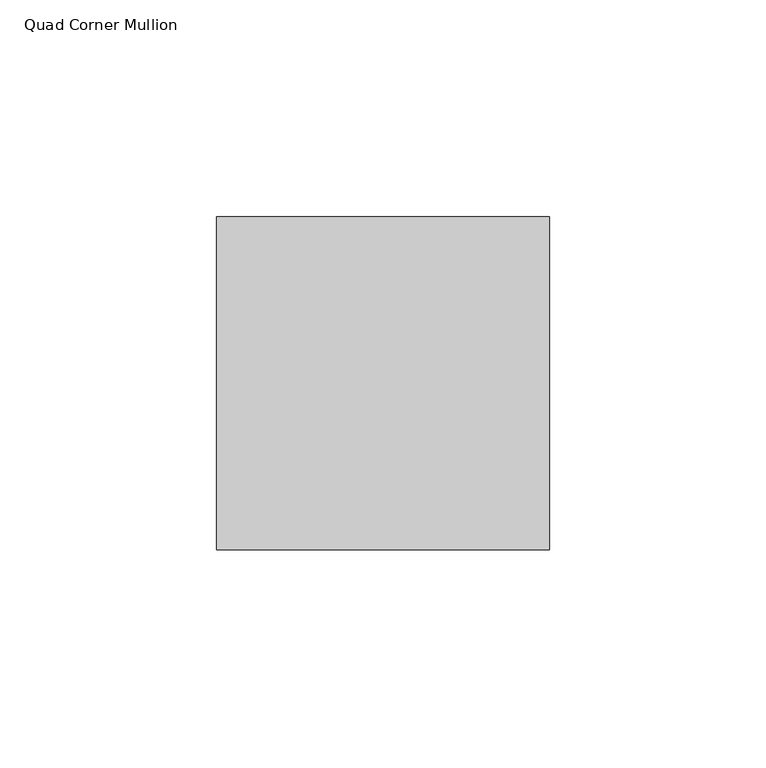
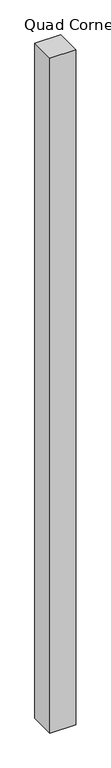
"""IFC4 building model written with IfcOpenShell, lengths in millimetres: member geometry, Quad Corner Mullion."""

from ifc_helpers import new_model, si_unit, frame, origin, place, context, project, spatial, polyline, outline, extrude, source, transform, mapped, element, save


def quad_corner_mullion_7f8103a9(model_context):
    return source(origin(), model_context, "Body", "SweptSolid", [
        extrude(outline(polyline([(38.1496094, -38.5464844), (-38.5464844, -38.5464844), (-38.5464844, 38.1496094), (38.1496094, 38.1496094), (38.1496094, -38.5464844)])), frame((0.0, 0.0, -2113.59299), z_axis=(0.0, 0.0, 1.0), x_axis=(1.0, 0.0, 0.0)), (0.0, 0.0, 1.0), 2113.59299),
    ])


if __name__ == "__main__":
    model = new_model("IFC4")
    model_context = context("Model", 3, world=origin())
    ifc_project = project(units=[si_unit("LENGTHUNIT", "METRE", prefix="MILLI")], contexts=[model_context])
    site = spatial("IfcSite", under=ifc_project)
    building = spatial("IfcBuilding", under=site)
    placement = place(None, origin())
    quad_corner_mullion_shape = quad_corner_mullion_7f8103a9(model_context)
    element("IfcMember", 1, ObjectType="Quad Corner Mullion", at=placement, inside=building, context=model_context, shape_type="MappedRepresentation", body=[
        mapped(quad_corner_mullion_shape, transform((0.0, 0.0, 0.0), x_axis=(1.0, 0.0, 0.0), y_axis=(0.0, 1.0, 0.0), z_axis=(0.0, 0.0, 1.0))),
    ])
    save(model, "model.ifc")
